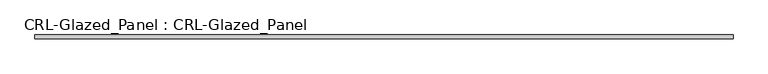
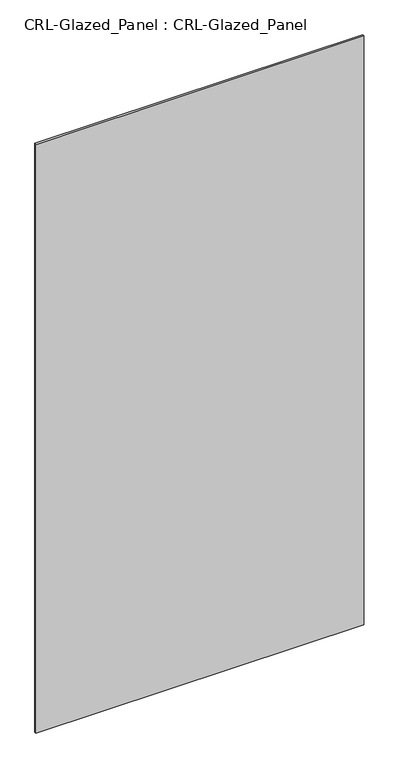
"""IFC4 building model written with IfcOpenShell, lengths in millimetres: plate geometry, CRL-Glazed_Panel : CRL-Glazed_Panel."""

import ifcopenshell
import ifcopenshell.guid

model = None  # the IFC model being written
_history = None  # IfcOwnerHistory: only IFC2X3 demands one
_inside = {}  # id of a spatial element -> (the spatial element, [elements in it])
_under = {}  # id of a project, library or spatial element -> (it, [spatial elements below it])
_declared = {}  # id of a project -> (the project, [libraries it declares])
_typed = {}  # id of a type object -> (the type object, [elements of that type])
_made_of = {}  # id of a material, layer set ... -> (it, [elements and type objects made of it])


def new_model(schema):
    """Start an empty IFC model of exactly this schema.

    Asked for "IFC4X3", IfcOpenShell would pick the latest addendum, in which some entities
    have other attributes; the version numbers below select the first issue.
    IFC2X3 requires an IfcOwnerHistory on every rooted entity: one is made here for all.
    """
    global model, _history
    if schema == "IFC4X3":
        model = ifcopenshell.file(schema_version=(4, 3, 0, 0))
    else:
        model = ifcopenshell.file(schema=schema)
    _inside.clear()
    _under.clear()
    _declared.clear()
    _typed.clear()
    _made_of.clear()
    _history = None
    if model.schema == "IFC2X3":
        org = make("IfcOrganization", Name="unknown")
        user = make(
            "IfcPersonAndOrganization",
            ThePerson=make("IfcPerson", FamilyName="unknown"),
            TheOrganization=org,
        )
        app = make(
            "IfcApplication",
            ApplicationDeveloper=org,
            Version="unknown",
            ApplicationFullName="unknown",
            ApplicationIdentifier="unknown",
        )
        _history = make(
            "IfcOwnerHistory",
            OwningUser=user,
            OwningApplication=app,
            ChangeAction="ADDED",
            CreationDate=0,
        )
    return model


def make(cls, **values):
    """One entity of the class cls with the attributes given. An attribute that is None is left unset."""
    return model.create_entity(
        cls, **{name: value for name, value in values.items() if value is not None}
    )


def rooted(cls, **values):
    """An entity with a GlobalId (a new one), such as an element, a storey or a relation."""
    return make(cls, GlobalId=ifcopenshell.guid.new(), OwnerHistory=_history, **values)


def si_unit(unit_type, name, prefix=None):
    """IfcSIUnit, for example si_unit("LENGTHUNIT", "METRE", prefix="MILLI")."""
    return make("IfcSIUnit", UnitType=unit_type, Prefix=prefix, Name=name)


def assignment(units):
    """IfcUnitAssignment: the units of a project."""
    return None if units is None else make("IfcUnitAssignment", Units=units)


def point(xyz):
    """IfcCartesianPoint."""
    return None if xyz is None else make("IfcCartesianPoint", Coordinates=xyz)


def direction(xyz):
    """IfcDirection."""
    return None if xyz is None else make("IfcDirection", DirectionRatios=xyz)


def frame(location, z_axis=None, x_axis=None):
    """IfcAxis2Placement3D, a coordinate frame: its origin and axes. An axis left out is left unset."""
    return make(
        "IfcAxis2Placement3D",
        Location=point(location),
        Axis=direction(z_axis),
        RefDirection=direction(x_axis),
    )


def origin():
    """The frame at (0, 0, 0) with its axes left unset."""
    return frame((0.0, 0.0, 0.0))


def origin_with_axes():
    """The frame at (0, 0, 0) with the z axis (0, 0, 1) and the x axis (1, 0, 0) written out."""
    return frame((0.0, 0.0, 0.0), z_axis=(0.0, 0.0, 1.0), x_axis=(1.0, 0.0, 0.0))


def place(relative_to, where):
    """IfcLocalPlacement: puts the frame where relative to a parent placement (None: the world)."""
    return make(
        "IfcLocalPlacement", PlacementRelTo=relative_to, RelativePlacement=where
    )


def context(
    kind, dimensions, precision=None, world=None, true_north=None, identifier=None
):
    """IfcGeometricRepresentationContext, for example the 3D "Model" context."""
    return make(
        "IfcGeometricRepresentationContext",
        ContextIdentifier=identifier,
        ContextType=kind,
        CoordinateSpaceDimension=dimensions,
        Precision=precision,
        WorldCoordinateSystem=world,
        TrueNorth=true_north,
    )


def project(units=None, contexts=None):
    """IfcProject with its units and contexts."""
    return rooted(
        "IfcProject",
        Name="project",
        RepresentationContexts=contexts,
        UnitsInContext=assignment(units),
    )


def spatial(cls, under=None, at=None, **own):
    """A site, building, storey or space (cls), placed at a placement, below another one or the project."""
    s = rooted(cls, ObjectPlacement=at, **own)
    if under is not None:
        _under.setdefault(under.id(), (under, []))[1].append(s)
    return s


def polyline(points):
    """IfcPolyline through the points."""
    return make("IfcPolyline", Points=[point(p) for p in points])


def outline(outer, holes=None, kind="AREA"):
    """IfcArbitraryClosedProfileDef: a profile drawn as a closed curve; with holes, ...WithVoids."""
    if holes is None:
        return make("IfcArbitraryClosedProfileDef", ProfileType=kind, OuterCurve=outer)
    return make(
        "IfcArbitraryProfileDefWithVoids",
        ProfileType=kind,
        OuterCurve=outer,
        InnerCurves=holes,
    )


def extrude(swept, where, along, depth):
    """IfcExtrudedAreaSolid: the profile swept, set in the frame where, extruded along a direction by depth."""
    return make(
        "IfcExtrudedAreaSolid",
        SweptArea=swept,
        Position=where,
        ExtrudedDirection=direction(along),
        Depth=depth,
    )


def shape(context_of_items, identifier, shape_type, items):
    """IfcShapeRepresentation: the items that make up one representation, for example the "Body"."""
    return make(
        "IfcShapeRepresentation",
        ContextOfItems=context_of_items,
        RepresentationIdentifier=identifier,
        RepresentationType=shape_type,
        Items=items,
    )


def source(mapping_origin, context_of_items, identifier, shape_type, items):
    """IfcRepresentationMap: a shape defined once, which mapped items show again and again."""
    return make(
        "IfcRepresentationMap",
        MappingOrigin=mapping_origin,
        MappedRepresentation=shape(context_of_items, identifier, shape_type, items),
    )


def transform(
    local_origin,
    x_axis=None,
    y_axis=None,
    z_axis=None,
    scale=None,
    scale2=None,
    scale3=None,
    uniform=True,
):
    """IfcCartesianTransformationOperator3D, or its non-uniform kind. x_axis, y_axis, z_axis: its Axis1, 2, 3."""
    if uniform:
        return make(
            "IfcCartesianTransformationOperator3D",
            Axis1=direction(x_axis),
            Axis2=direction(y_axis),
            LocalOrigin=point(local_origin),
            Scale=scale,
            Axis3=direction(z_axis),
        )
    return make(
        "IfcCartesianTransformationOperator3DnonUniform",
        Axis1=direction(x_axis),
        Axis2=direction(y_axis),
        LocalOrigin=point(local_origin),
        Scale=scale,
        Axis3=direction(z_axis),
        Scale2=scale2,
        Scale3=scale3,
    )


def mapped(mapping_source, mapping_target):
    """IfcMappedItem: shows the shape of a source again, moved by a transform."""
    return make(
        "IfcMappedItem", MappingSource=mapping_source, MappingTarget=mapping_target
    )


def made_of(thing, what):
    """Note that an element or type object is made of a material, layer set ...; save() writes the relation."""
    if what is not None:
        _made_of.setdefault(what.id(), (what, []))[1].append(thing)
    return thing


def element(
    cls,
    number,
    at=None,
    inside=None,
    cuts=None,
    type_object=None,
    material=None,
    context=None,
    identifier="Body",
    shape_type=None,
    held_by="IfcProductDefinitionShape",
    body=None,
    shapes=None,
    **own,
):
    """One element of the class cls, such as IfcWall. Its Tag is "e" and its number.

    at: its placement. inside: the storey or other place that contains it. cuts: it is an
    opening in that element (IfcRelVoidsElement). A single representation is given by context,
    identifier, shape_type and body (its items); several are given by shapes. held_by: the class
    of the entity that holds the representations. save() writes the other relations.
    """
    e = rooted(cls, Tag="e%d" % number, ObjectPlacement=at, **own)
    if body is not None:
        shapes = [shape(context, identifier, shape_type, body)]
    if shapes is not None:
        e.Representation = make(held_by, Representations=shapes)
    if inside is not None:
        _inside.setdefault(inside.id(), (inside, []))[1].append(e)
    if cuts is not None:
        rooted(
            "IfcRelVoidsElement", RelatingBuildingElement=cuts, RelatedOpeningElement=e
        )
    if type_object is not None:
        _typed.setdefault(type_object.id(), (type_object, []))[1].append(e)
    return made_of(e, material)


def aggregate(whole, parts):
    """IfcRelAggregates: a whole, such as a stair, and the parts it consists of."""
    return rooted("IfcRelAggregates", RelatingObject=whole, RelatedObjects=parts)


def save(model, path):
    """Write the relations noted so far, then the file.

    IfcRelAggregates (storeys below a building ...), IfcRelContainedInSpatialStructure (elements
    in a storey), IfcRelDefinesByType, IfcRelAssociatesMaterial and IfcRelDeclares: one each for
    every whole, place, type object, material and project.
    """
    for whole, parts in _under.values():
        aggregate(whole, parts)
    for where, things in _inside.values():
        rooted(
            "IfcRelContainedInSpatialStructure",
            RelatedElements=things,
            RelatingStructure=where,
        )
    for kind, things in _typed.values():
        rooted("IfcRelDefinesByType", RelatedObjects=things, RelatingType=kind)
    for what, things in _made_of.values():
        rooted("IfcRelAssociatesMaterial", RelatedObjects=things, RelatingMaterial=what)
    for by, libraries in _declared.values():
        rooted("IfcRelDeclares", RelatingContext=by, RelatedDefinitions=libraries)
    model.write(path)


def crl_glazed_panel_crl_glazed_panel_6a00aa11(model_context):
    return source(origin(), model_context, "Body", "SweptSolid", [
        extrude(outline(polyline([(564.6208333, 3.1749999), (564.6208333, -3.1749999), (-564.6208333, -3.1749999), (-564.6208333, 3.1749999), (564.6208333, 3.1749999)])), origin_with_axes(), (0.0, 0.0, 1.0), 2143.1250696),
    ])


if __name__ == "__main__":
    model = new_model("IFC4")
    model_context = context("Model", 3, world=origin())
    ifc_project = project(units=[si_unit("LENGTHUNIT", "METRE", prefix="MILLI")], contexts=[model_context])
    site = spatial("IfcSite", under=ifc_project)
    building = spatial("IfcBuilding", under=site)
    placement = place(None, origin())
    crl_glazed_panel_crl_glazed_panel_shape = crl_glazed_panel_crl_glazed_panel_6a00aa11(model_context)
    element("IfcPlate", 1, ObjectType="CRL-Glazed_Panel : CRL-Glazed_Panel", at=placement, inside=building, context=model_context, shape_type="MappedRepresentation", body=[
        mapped(crl_glazed_panel_crl_glazed_panel_shape, transform((0.0, 0.0, 0.0), x_axis=(1.0, 0.0, 0.0), y_axis=(0.0, 1.0, 0.0), z_axis=(0.0, 0.0, 1.0))),
    ])
    save(model, "model.ifc")
